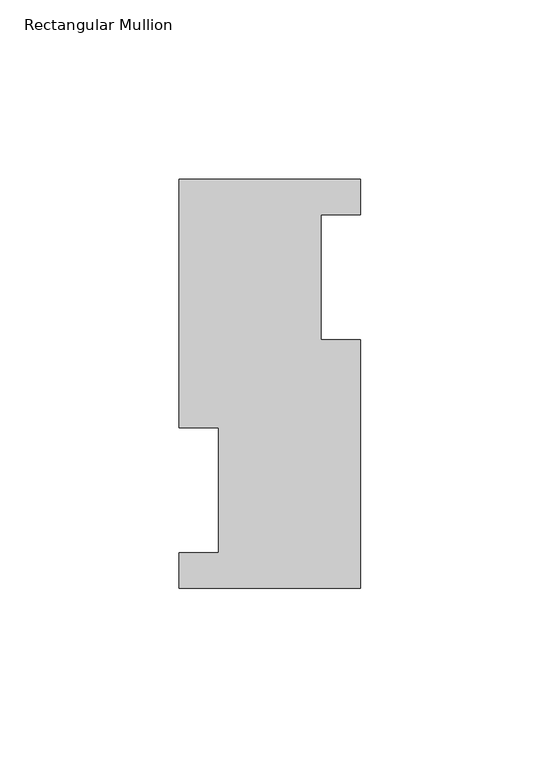
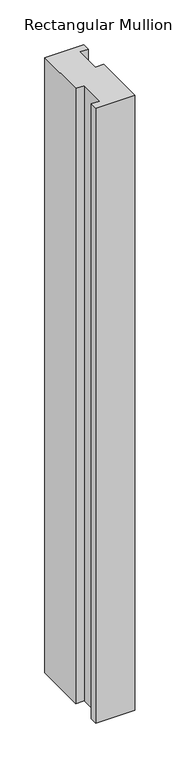
"""IFC4 building model written with IfcOpenShell, lengths in millimetres: member geometry, Rectangular Mullion."""

from ifc_helpers import new_model, si_unit, frame, origin, place, context, project, spatial, polyline, outline, extrude, source, transform, mapped, element, save


def rectangular_mullion_01c27991(model_context):
    return source(origin(), model_context, "Body", "SweptSolid", [
        extrude(outline(polyline([(-25.4, 114.0729875), (25.4, 114.0729875), (25.4, 104.1669875), (14.2875, 104.1669875), (14.2875, 69.2419875), (25.4, 69.2419875), (25.4, -0.2270125), (-25.4, -0.2270125), (-25.4, 9.6789875), (-14.2875, 9.6789875), (-14.2875, 44.6039875), (-25.4, 44.6039875), (-25.4, 114.0729875)])), frame((0.0, 0.0, -841.375), z_axis=(0.0, 0.0, 1.0), x_axis=(1.0, 0.0, 0.0)), (0.0, 0.0, 1.0), 841.375),
    ])


if __name__ == "__main__":
    model = new_model("IFC4")
    model_context = context("Model", 3, world=origin())
    ifc_project = project(units=[si_unit("LENGTHUNIT", "METRE", prefix="MILLI")], contexts=[model_context])
    site = spatial("IfcSite", under=ifc_project)
    building = spatial("IfcBuilding", under=site)
    placement = place(None, origin())
    rectangular_mullion_shape = rectangular_mullion_01c27991(model_context)
    element("IfcMember", 1, ObjectType="Rectangular Mullion", at=placement, inside=building, context=model_context, shape_type="MappedRepresentation", body=[
        mapped(rectangular_mullion_shape, transform((0.0, 0.0, 0.0), x_axis=(1.0, 0.0, 0.0), y_axis=(0.0, 1.0, 0.0), z_axis=(0.0, 0.0, 1.0))),
    ])
    save(model, "model.ifc")
